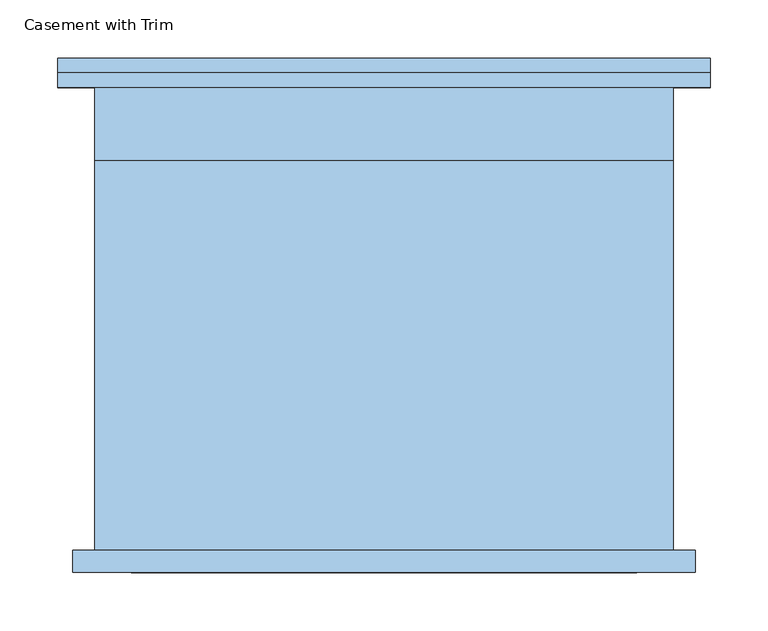
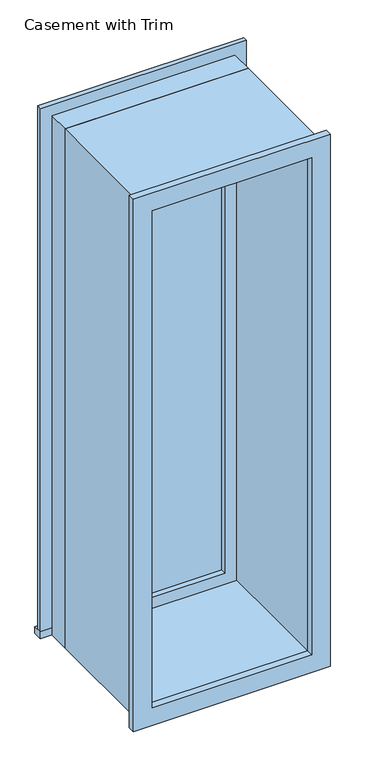
"""IFC4 building model written with IfcOpenShell, lengths in millimetres: window geometry, Casement with Trim."""

from ifc_helpers import new_model, si_unit, frame, origin, place, context, project, spatial, polyline, outline, extrude, source, transform, mapped, element, save


def casement_with_trim_537f1aa1(model_context):
    return source(origin(), model_context, "Body", "SweptSolid", [
        extrude(outline(polyline([(-281.75, 225.4), (281.75, 225.4), (281.75, 200.0), (-281.75, 200.0), (-281.75, 225.4)])), frame((0.0, 0.0, 914.4), z_axis=(0.0, 0.0, 1.0), x_axis=(1.0, 0.0, 0.0)), (0.0, 0.0, 1.0), 19.05),
        extrude(outline(polyline([(2395.35, -230.95), (2395.35, 230.95), (933.45, 230.95), (933.45, 281.75), (2446.15, 281.75), (2446.15, -281.75), (933.45, -281.75), (933.45, -230.95), (2395.35, -230.95)])), frame((0.0, 200.0, 0.0), z_axis=(0.0, 1.0, 0.0), x_axis=(0.0, 0.0, 1.0)), (0.0, 0.0, 1.0), 12.7),
        extrude(outline(polyline([(2433.45, 269.05), (2433.45, -269.05), (895.35, -269.05), (895.35, 269.05), (2433.45, 269.05)]), holes=[polyline([(2382.65, 218.25), (946.15, 218.25), (946.15, -218.25), (2382.65, -218.25), (2382.65, 218.25)])]), frame((0.0, -219.05, 0.0), z_axis=(0.0, 1.0, 0.0), x_axis=(0.0, 0.0, 1.0)), (0.0, 0.0, 1.0), 19.05),
        extrude(outline(polyline([(186.5, 152.375), (-186.5, 152.375), (-186.5, 165.075), (186.5, 165.075), (186.5, 152.375)])), frame((0.0, 0.0, 977.9), z_axis=(0.0, 0.0, 1.0), x_axis=(1.0, 0.0, 0.0)), (0.0, 0.0, 1.0), 1373.0),
        extrude(outline(polyline([(2395.35, -230.95), (933.45, -230.95), (933.45, 230.95), (2395.35, 230.95), (2395.35, -230.95)]), holes=[polyline([(2350.9, -186.5), (2350.9, 186.5), (977.9, 186.5), (977.9, -186.5), (2350.9, -186.5)])]), frame((0.0, 136.5, 0.0), z_axis=(0.0, 1.0, 0.0), x_axis=(0.0, 0.0, 1.0)), (0.0, 0.0, 1.0), 44.45),
        extrude(outline(polyline([(2414.4, -250.0), (914.4, -250.0), (914.4, 250.0), (2414.4, 250.0), (2414.4, -250.0)]), holes=[polyline([(2382.65, -218.25), (2382.65, 218.25), (946.15, 218.25), (946.15, -218.25), (2382.65, -218.25)])]), frame((0.0, -200.0, 0.0), z_axis=(0.0, 1.0, 0.0), x_axis=(0.0, 0.0, 1.0)), (0.0, 0.0, 1.0), 336.5),
        extrude(outline(polyline([(2414.4, 250.0), (2414.4, -250.0), (914.4, -250.0), (914.4, 250.0), (2414.4, 250.0)]), holes=[polyline([(2395.35, 230.95), (933.45, 230.95), (933.45, -230.95), (2395.35, -230.95), (2395.35, 230.95)])]), frame((0.0, 136.5, 0.0), z_axis=(0.0, 1.0, 0.0), x_axis=(0.0, 0.0, 1.0)), (0.0, 0.0, 1.0), 63.5),
    ])


if __name__ == "__main__":
    model = new_model("IFC4")
    model_context = context("Model", 3, world=origin())
    ifc_project = project(units=[si_unit("LENGTHUNIT", "METRE", prefix="MILLI")], contexts=[model_context])
    site = spatial("IfcSite", under=ifc_project)
    building = spatial("IfcBuilding", under=site)
    placement = place(None, origin())
    casement_with_trim_shape = casement_with_trim_537f1aa1(model_context)
    element("IfcWindow", 1, ObjectType="Casement with Trim", at=placement, inside=building, context=model_context, shape_type="MappedRepresentation", body=[
        mapped(casement_with_trim_shape, transform((0.0, 0.0, 0.0), x_axis=(1.0, 0.0, 0.0), y_axis=(0.0, 1.0, 0.0), z_axis=(0.0, 0.0, 1.0))),
    ])
    save(model, "model.ifc")
